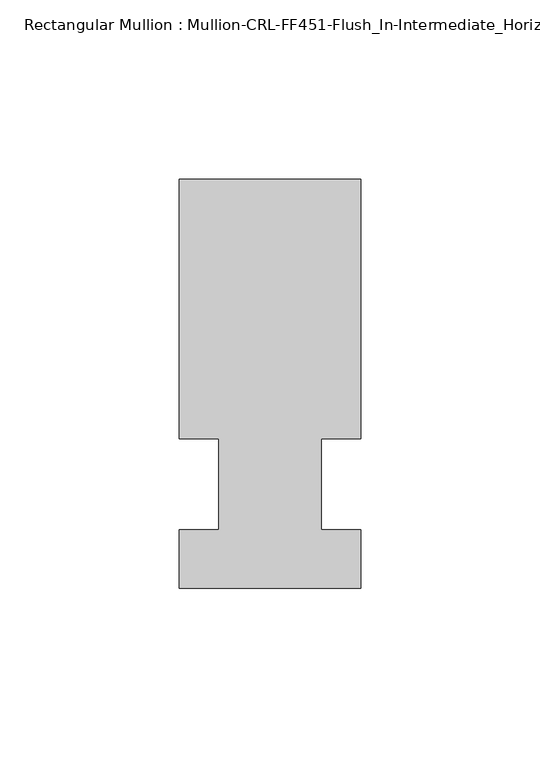
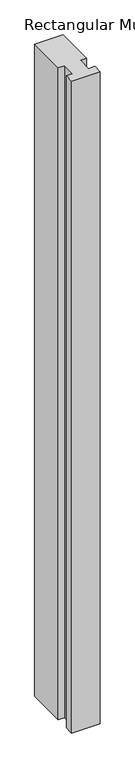
"""IFC4 building model written with IfcOpenShell, lengths in millimetres: member geometry, Rectangular Mullion : Mullion-CRL-FF451-Flush_In-Intermediate_Horizontal-Ext."""

import ifcopenshell
import ifcopenshell.guid

model = None  # the IFC model being written
_history = None  # IfcOwnerHistory: only IFC2X3 demands one
_inside = {}  # id of a spatial element -> (the spatial element, [elements in it])
_under = {}  # id of a project, library or spatial element -> (it, [spatial elements below it])
_declared = {}  # id of a project -> (the project, [libraries it declares])
_typed = {}  # id of a type object -> (the type object, [elements of that type])
_made_of = {}  # id of a material, layer set ... -> (it, [elements and type objects made of it])


def new_model(schema):
    """Start an empty IFC model of exactly this schema.

    Asked for "IFC4X3", IfcOpenShell would pick the latest addendum, in which some entities
    have other attributes; the version numbers below select the first issue.
    IFC2X3 requires an IfcOwnerHistory on every rooted entity: one is made here for all.
    """
    global model, _history
    if schema == "IFC4X3":
        model = ifcopenshell.file(schema_version=(4, 3, 0, 0))
    else:
        model = ifcopenshell.file(schema=schema)
    _inside.clear()
    _under.clear()
    _declared.clear()
    _typed.clear()
    _made_of.clear()
    _history = None
    if model.schema == "IFC2X3":
        org = make("IfcOrganization", Name="unknown")
        user = make(
            "IfcPersonAndOrganization",
            ThePerson=make("IfcPerson", FamilyName="unknown"),
            TheOrganization=org,
        )
        app = make(
            "IfcApplication",
            ApplicationDeveloper=org,
            Version="unknown",
            ApplicationFullName="unknown",
            ApplicationIdentifier="unknown",
        )
        _history = make(
            "IfcOwnerHistory",
            OwningUser=user,
            OwningApplication=app,
            ChangeAction="ADDED",
            CreationDate=0,
        )
    return model


def make(cls, **values):
    """One entity of the class cls with the attributes given. An attribute that is None is left unset."""
    return model.create_entity(
        cls, **{name: value for name, value in values.items() if value is not None}
    )


def rooted(cls, **values):
    """An entity with a GlobalId (a new one), such as an element, a storey or a relation."""
    return make(cls, GlobalId=ifcopenshell.guid.new(), OwnerHistory=_history, **values)


def si_unit(unit_type, name, prefix=None):
    """IfcSIUnit, for example si_unit("LENGTHUNIT", "METRE", prefix="MILLI")."""
    return make("IfcSIUnit", UnitType=unit_type, Prefix=prefix, Name=name)


def assignment(units):
    """IfcUnitAssignment: the units of a project."""
    return None if units is None else make("IfcUnitAssignment", Units=units)


def point(xyz):
    """IfcCartesianPoint."""
    return None if xyz is None else make("IfcCartesianPoint", Coordinates=xyz)


def direction(xyz):
    """IfcDirection."""
    return None if xyz is None else make("IfcDirection", DirectionRatios=xyz)


def frame(location, z_axis=None, x_axis=None):
    """IfcAxis2Placement3D, a coordinate frame: its origin and axes. An axis left out is left unset."""
    return make(
        "IfcAxis2Placement3D",
        Location=point(location),
        Axis=direction(z_axis),
        RefDirection=direction(x_axis),
    )


def origin():
    """The frame at (0, 0, 0) with its axes left unset."""
    return frame((0.0, 0.0, 0.0))


def place(relative_to, where):
    """IfcLocalPlacement: puts the frame where relative to a parent placement (None: the world)."""
    return make(
        "IfcLocalPlacement", PlacementRelTo=relative_to, RelativePlacement=where
    )


def context(
    kind, dimensions, precision=None, world=None, true_north=None, identifier=None
):
    """IfcGeometricRepresentationContext, for example the 3D "Model" context."""
    return make(
        "IfcGeometricRepresentationContext",
        ContextIdentifier=identifier,
        ContextType=kind,
        CoordinateSpaceDimension=dimensions,
        Precision=precision,
        WorldCoordinateSystem=world,
        TrueNorth=true_north,
    )


def project(units=None, contexts=None):
    """IfcProject with its units and contexts."""
    return rooted(
        "IfcProject",
        Name="project",
        RepresentationContexts=contexts,
        UnitsInContext=assignment(units),
    )


def spatial(cls, under=None, at=None, **own):
    """A site, building, storey or space (cls), placed at a placement, below another one or the project."""
    s = rooted(cls, ObjectPlacement=at, **own)
    if under is not None:
        _under.setdefault(under.id(), (under, []))[1].append(s)
    return s


def polyline(points):
    """IfcPolyline through the points."""
    return make("IfcPolyline", Points=[point(p) for p in points])


def outline(outer, holes=None, kind="AREA"):
    """IfcArbitraryClosedProfileDef: a profile drawn as a closed curve; with holes, ...WithVoids."""
    if holes is None:
        return make("IfcArbitraryClosedProfileDef", ProfileType=kind, OuterCurve=outer)
    return make(
        "IfcArbitraryProfileDefWithVoids",
        ProfileType=kind,
        OuterCurve=outer,
        InnerCurves=holes,
    )


def extrude(swept, where, along, depth):
    """IfcExtrudedAreaSolid: the profile swept, set in the frame where, extruded along a direction by depth."""
    return make(
        "IfcExtrudedAreaSolid",
        SweptArea=swept,
        Position=where,
        ExtrudedDirection=direction(along),
        Depth=depth,
    )


def shape(context_of_items, identifier, shape_type, items):
    """IfcShapeRepresentation: the items that make up one representation, for example the "Body"."""
    return make(
        "IfcShapeRepresentation",
        ContextOfItems=context_of_items,
        RepresentationIdentifier=identifier,
        RepresentationType=shape_type,
        Items=items,
    )


def source(mapping_origin, context_of_items, identifier, shape_type, items):
    """IfcRepresentationMap: a shape defined once, which mapped items show again and again."""
    return make(
        "IfcRepresentationMap",
        MappingOrigin=mapping_origin,
        MappedRepresentation=shape(context_of_items, identifier, shape_type, items),
    )


def transform(
    local_origin,
    x_axis=None,
    y_axis=None,
    z_axis=None,
    scale=None,
    scale2=None,
    scale3=None,
    uniform=True,
):
    """IfcCartesianTransformationOperator3D, or its non-uniform kind. x_axis, y_axis, z_axis: its Axis1, 2, 3."""
    if uniform:
        return make(
            "IfcCartesianTransformationOperator3D",
            Axis1=direction(x_axis),
            Axis2=direction(y_axis),
            LocalOrigin=point(local_origin),
            Scale=scale,
            Axis3=direction(z_axis),
        )
    return make(
        "IfcCartesianTransformationOperator3DnonUniform",
        Axis1=direction(x_axis),
        Axis2=direction(y_axis),
        LocalOrigin=point(local_origin),
        Scale=scale,
        Axis3=direction(z_axis),
        Scale2=scale2,
        Scale3=scale3,
    )


def mapped(mapping_source, mapping_target):
    """IfcMappedItem: shows the shape of a source again, moved by a transform."""
    return make(
        "IfcMappedItem", MappingSource=mapping_source, MappingTarget=mapping_target
    )


def made_of(thing, what):
    """Note that an element or type object is made of a material, layer set ...; save() writes the relation."""
    if what is not None:
        _made_of.setdefault(what.id(), (what, []))[1].append(thing)
    return thing


def element(
    cls,
    number,
    at=None,
    inside=None,
    cuts=None,
    type_object=None,
    material=None,
    context=None,
    identifier="Body",
    shape_type=None,
    held_by="IfcProductDefinitionShape",
    body=None,
    shapes=None,
    **own,
):
    """One element of the class cls, such as IfcWall. Its Tag is "e" and its number.

    at: its placement. inside: the storey or other place that contains it. cuts: it is an
    opening in that element (IfcRelVoidsElement). A single representation is given by context,
    identifier, shape_type and body (its items); several are given by shapes. held_by: the class
    of the entity that holds the representations. save() writes the other relations.
    """
    e = rooted(cls, Tag="e%d" % number, ObjectPlacement=at, **own)
    if body is not None:
        shapes = [shape(context, identifier, shape_type, body)]
    if shapes is not None:
        e.Representation = make(held_by, Representations=shapes)
    if inside is not None:
        _inside.setdefault(inside.id(), (inside, []))[1].append(e)
    if cuts is not None:
        rooted(
            "IfcRelVoidsElement", RelatingBuildingElement=cuts, RelatedOpeningElement=e
        )
    if type_object is not None:
        _typed.setdefault(type_object.id(), (type_object, []))[1].append(e)
    return made_of(e, material)


def aggregate(whole, parts):
    """IfcRelAggregates: a whole, such as a stair, and the parts it consists of."""
    return rooted("IfcRelAggregates", RelatingObject=whole, RelatedObjects=parts)


def save(model, path):
    """Write the relations noted so far, then the file.

    IfcRelAggregates (storeys below a building ...), IfcRelContainedInSpatialStructure (elements
    in a storey), IfcRelDefinesByType, IfcRelAssociatesMaterial and IfcRelDeclares: one each for
    every whole, place, type object, material and project.
    """
    for whole, parts in _under.values():
        aggregate(whole, parts)
    for where, things in _inside.values():
        rooted(
            "IfcRelContainedInSpatialStructure",
            RelatedElements=things,
            RelatingStructure=where,
        )
    for kind, things in _typed.values():
        rooted("IfcRelDefinesByType", RelatedObjects=things, RelatingType=kind)
    for what, things in _made_of.values():
        rooted("IfcRelAssociatesMaterial", RelatedObjects=things, RelatingMaterial=what)
    for by, libraries in _declared.values():
        rooted("IfcRelDeclares", RelatingContext=by, RelatedDefinitions=libraries)
    model.write(path)


def rectangular_mullion_mullion_crl_ff451_flush_in_intermediate_8901ce56(model_context):
    return source(origin(), model_context, "Body", "SweptSolid", [
        extrude(outline(polyline([(21.4290159, -28.988808), (-29.3709841, -28.988808), (-29.3709841, -12.7), (-18.2682251, -12.7), (-18.2682251, 12.7), (-29.3709841, 12.7), (-29.3709841, 85.311192), (21.4290159, 85.311192), (21.4290159, 12.7), (10.3165159, 12.7), (10.3165159, -12.7), (21.4290159, -12.7), (21.4290159, -28.988808)])), frame((0.0, 0.0, -1227.5840916), z_axis=(0.0, 0.0, 1.0), x_axis=(1.0, 0.0, 0.0)), (0.0, 0.0, 1.0), 1227.5840916),
    ])


if __name__ == "__main__":
    model = new_model("IFC4")
    model_context = context("Model", 3, world=origin())
    ifc_project = project(units=[si_unit("LENGTHUNIT", "METRE", prefix="MILLI")], contexts=[model_context])
    site = spatial("IfcSite", under=ifc_project)
    building = spatial("IfcBuilding", under=site)
    placement = place(None, origin())
    rectangular_mullion_mullion_crl_ff451_flush_in_intermediate_shape = rectangular_mullion_mullion_crl_ff451_flush_in_intermediate_8901ce56(model_context)
    element("IfcMember", 1, ObjectType="Rectangular Mullion : Mullion-CRL-FF451-Flush_In-Intermediate_Horizontal-Ext", at=placement, inside=building, context=model_context, shape_type="MappedRepresentation", body=[
        mapped(rectangular_mullion_mullion_crl_ff451_flush_in_intermediate_shape, transform((0.0, 0.0, 0.0), x_axis=(1.0, 0.0, 0.0), y_axis=(0.0, 1.0, 0.0), z_axis=(0.0, 0.0, 1.0))),
    ])
    save(model, "model.ifc")
